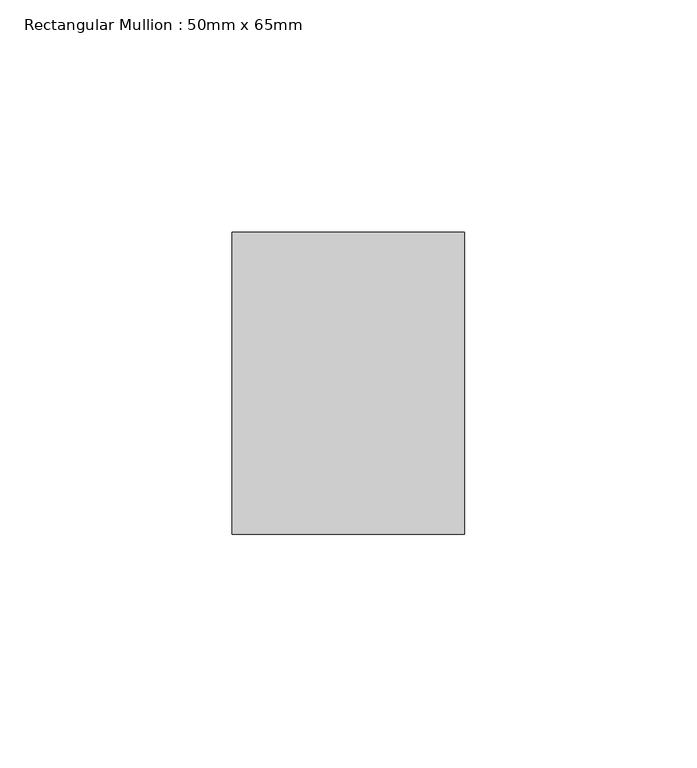
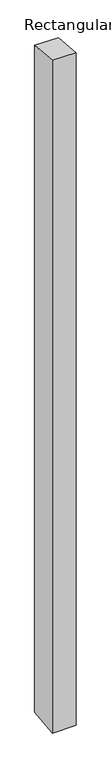
"""IFC4 building model written with IfcOpenShell, lengths in millimetres: member geometry, Rectangular Mullion : 50mm x 65mm."""

from ifc_helpers import new_model, si_unit, origin, place, context, project, spatial, faceted_brep, source, transform, mapped, element, save


def rectangular_mullion_50mm_x_65mm_3d07aa45(model_context):
    return source(origin(), model_context, "Body", "Brep", [
        faceted_brep([(-25.0, 32.5, -2.9911602), (25.0, 32.5, -2.9911501), (25.0, 32.5, -1496.6283283), (-25.0, 32.5, -1496.6283169), (-25.0, -32.5, 2.9911501), (-25.0, -32.5, -1503.3716776), (25.0, -32.5, 2.9911602), (25.0, -32.5, -1503.371689)], [[[0, 1, 2, 3]], [[4, 0, 3, 5]], [[6, 4, 5, 7]], [[1, 6, 7, 2]], [[1, 0, 4, 6]], [[2, 7, 5, 3]]]),
    ])


if __name__ == "__main__":
    model = new_model("IFC4")
    model_context = context("Model", 3, world=origin())
    ifc_project = project(units=[si_unit("LENGTHUNIT", "METRE", prefix="MILLI")], contexts=[model_context])
    site = spatial("IfcSite", under=ifc_project)
    building = spatial("IfcBuilding", under=site)
    placement = place(None, origin())
    rectangular_mullion_50mm_x_65mm_shape = rectangular_mullion_50mm_x_65mm_3d07aa45(model_context)
    element("IfcMember", 1, ObjectType="Rectangular Mullion : 50mm x 65mm", at=placement, inside=building, context=model_context, shape_type="MappedRepresentation", body=[
        mapped(rectangular_mullion_50mm_x_65mm_shape, transform((0.0, 0.0, 0.0), x_axis=(1.0, 0.0, 0.0), y_axis=(0.0, 1.0, 0.0), z_axis=(0.0, 0.0, 1.0))),
    ])
    save(model, "model.ifc")
